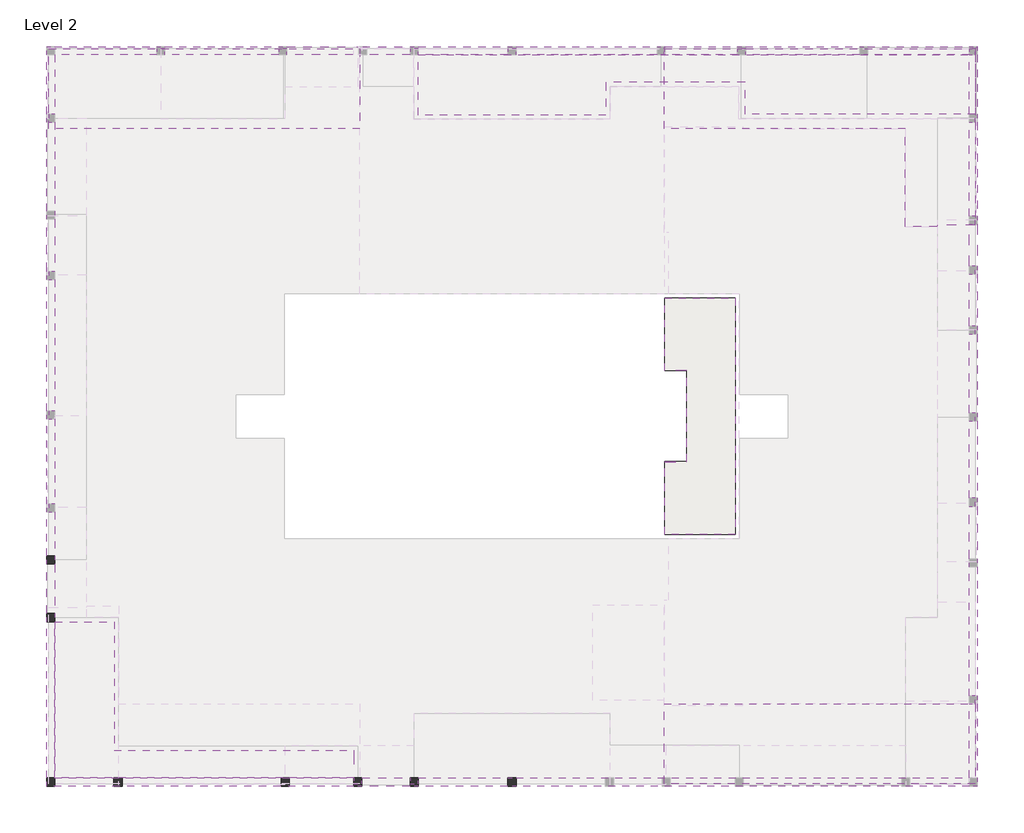
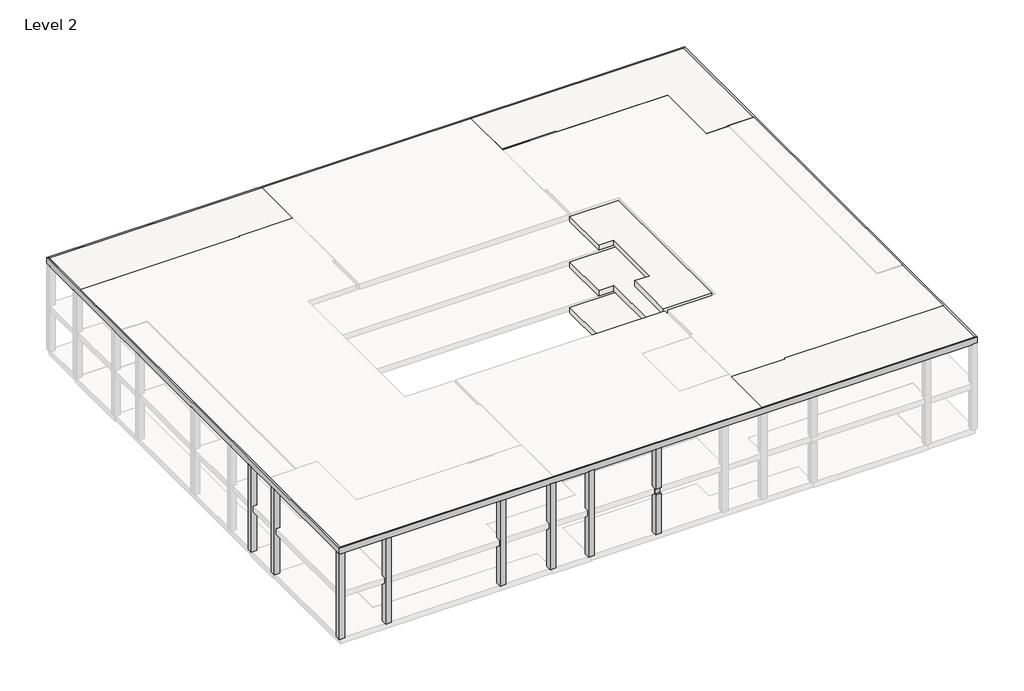
# One storey, part 2 of 3: 9 slabs, 8 columns, 2 proxies.
"""IFC4 building model written with IfcOpenShell, lengths in millimetres."""

from ifc_helpers import new_model, si_unit, frame, origin, place, context, project, spatial, polyline, outline, extrude, faceted_brep, element, save

model = new_model("IFC4")

# Units and contexts
model_context = context("Model", 3, world=origin())
ifc_project = project(units=[si_unit("LENGTHUNIT", "METRE", prefix="MILLI")], contexts=[model_context])

# Site, building, storey
site = spatial("IfcSite", under=ifc_project)
building = spatial("IfcBuilding", under=site)
storey = spatial("IfcBuildingStorey", under=building, Name="Level 2", Elevation=4000.0)

# Proxies
placement = place(None, origin())
element("IfcBuildingElementProxy", 1, Name="Slab Edges", at=placement, inside=storey, context=model_context, shape_type="Brep", body=[
    faceted_brep([(7248.6038805, 6198.5104675, 8475.0), (7588.6038805, 6538.5104675, 8475.0), (20123.6038682, 6538.5104675, 8475.0), (20123.6038682, 6198.5104675, 8475.0), (45908.6038805, 6538.5104675, 8475.0), (45908.6038805, 6198.5104675, 8475.0), (26918.6038805, 6198.5104675, 8475.0), (26578.6038805, 6198.5104675, 8475.0), (22818.6038804, 6198.5104675, 8475.0), (22818.6038804, 6538.5104675, 8475.0), (26578.6038805, 6538.5104675, 8475.0), (26918.6038805, 6538.5104675, 8475.0), (20463.6038682, 6198.5104675, 8475.0), (20463.6038682, 6538.5104675, 8475.0), (22478.6038804, 6538.5104675, 8475.0), (22478.6038804, 6198.5104675, 8475.0), (7248.6038805, 6198.5104675, 8850.0), (20123.6038682, 6198.5104675, 8500.0), (20463.6038682, 6198.5104675, 8500.0), (22478.6038804, 6198.5104675, 8500.0), (22818.6038804, 6198.5104675, 8500.0), (45908.6038805, 6198.5104675, 8500.0), (46248.6038805, 6198.5104675, 8500.0), (46248.6038805, 6198.5104675, 8850.0), (7348.6038805, 6298.5104675, 8850.0), (46148.6038805, 6298.5104675, 8850.0), (7348.6038805, 6298.5104675, 8500.0), (46148.6038805, 6298.5104675, 8500.0), (45908.6038805, 6298.5104675, 8500.0), (22818.6038804, 6298.5104675, 8500.0), (22478.6038804, 6298.5104675, 8500.0), (20463.6038682, 6298.5104675, 8500.0), (20123.6038682, 6298.5104675, 8500.0), (7248.6038805, 6538.5104665, 8475.0), (7248.6038805, 13088.5104691, 8475.0), (7248.6038805, 13428.5104691, 8475.0), (7248.6038805, 15508.5104691, 8475.0), (7248.6038805, 15848.5104691, 8475.0), (7248.6038805, 17688.5104681, 8475.0), (7588.6038805, 17688.5104681, 8475.0), (7588.6038805, 15848.5104691, 8475.0), (7588.6038805, 15508.5104691, 8475.0), (7588.6038805, 13428.5104691, 8475.0), (7588.6038805, 13088.5104691, 8475.0), (7248.6038805, 36858.5104675, 8475.0), (7588.6038805, 36858.5104675, 8475.0), (7588.6038805, 34366.0104675, 8475.0), (7248.6038805, 34366.0104675, 8475.0), (7248.6038805, 34026.0104675, 8475.0), (7588.6038805, 34026.0104675, 8475.0), (7588.6038805, 30308.5104659, 8475.0), (7588.6038805, 29968.5104659, 8475.0), (7588.6038805, 27768.5104659, 8475.0), (7248.6038805, 27768.5104659, 8475.0), (7248.6038805, 29968.5104659, 8475.0), (7248.6038805, 30308.5104659, 8475.0), (7588.6038805, 18028.5104681, 8475.0), (7248.6038805, 18028.5104681, 8475.0), (7248.6038805, 21581.010467, 8475.0), (7588.6038805, 21581.010467, 8475.0), (7248.6038805, 27428.5104659, 8475.0), (7588.6038805, 27428.5104659, 8475.0), (7588.6038805, 21921.010467, 8475.0), (7248.6038805, 21921.010467, 8475.0), (7248.6038805, 37198.5104675, 8850.0), (7248.6038805, 37198.5104675, 8500.0), (7248.6038805, 36858.5104675, 8500.0), (7248.6038805, 34366.0104675, 8500.0), (7248.6038805, 34026.0104675, 8500.0), (7248.6038805, 27768.5104659, 8500.0), (7248.6038805, 27428.5104659, 8500.0), (7248.6038805, 21921.010467, 8500.0), (7248.6038805, 21581.010467, 8500.0), (7248.6038805, 18028.5104681, 8500.0), (7248.6038805, 17688.5104681, 8500.0), (7348.6038805, 37098.5104675, 8850.0), (7348.6038805, 17688.5104681, 8500.0), (7348.6038805, 18028.5104681, 8500.0), (7348.6038805, 21581.010467, 8500.0), (7348.6038805, 21921.010467, 8500.0), (7348.6038805, 27428.5104659, 8500.0), (7348.6038805, 27768.5104659, 8500.0), (7348.6038805, 34026.0104675, 8500.0), (7348.6038805, 34366.0104675, 8500.0), (7348.6038805, 36858.5104675, 8500.0), (7348.6038805, 37098.5104675, 8500.0), (33133.6038927, 36858.5104675, 8475.0), (33133.6038927, 37198.5104675, 8475.0), (33133.6038927, 37198.5104675, 8850.0), (33133.6038927, 37098.5104675, 8850.0), (33133.6038927, 37098.5104675, 8500.0), (33133.6038927, 36858.5104675, 8500.0), (32823.6038927, 36858.5104675, 8475.0), (26918.6038805, 36858.5104675, 8475.0), (26918.6038805, 37198.5104675, 8475.0), (32823.6038927, 37198.5104675, 8475.0), (26578.6038805, 37198.5104675, 8475.0), (26578.6038805, 36858.5104675, 8475.0), (22818.6038804, 36858.5104675, 8475.0), (22818.6038804, 37198.5104675, 8475.0), (22478.6038804, 37198.5104675, 8475.0), (22478.6038804, 36858.5104675, 8475.0), (20463.6038682, 36858.5104675, 8475.0), (20123.6038682, 36858.5104675, 8475.0), (17308.6038682, 36858.5104675, 8475.0), (17308.6038682, 37198.5104675, 8475.0), (20123.6038682, 37198.5104675, 8475.0), (20463.6038682, 37198.5104675, 8475.0), (16968.6038682, 37198.5104675, 8475.0), (16968.6038682, 36858.5104675, 8475.0), (12208.6038682, 36858.5104675, 8475.0), (12208.6038682, 37198.5104675, 8475.0), (11868.6038682, 37198.5104675, 8475.0), (11868.6038682, 36858.5104675, 8475.0), (7588.6038805, 37198.5104675, 8475.0), (26918.6038805, 37198.5104675, 8500.0), (26578.6038805, 37198.5104675, 8500.0), (22818.6038804, 37198.5104675, 8500.0), (22478.6038804, 37198.5104675, 8500.0), (17308.6038682, 37198.5104675, 8500.0), (16968.6038682, 37198.5104675, 8500.0), (12208.6038682, 37198.5104675, 8500.0), (11868.6038682, 37198.5104675, 8500.0), (7588.6038805, 37198.5104675, 8500.0), (7588.6038805, 37098.5104675, 8500.0), (11868.6038682, 37098.5104675, 8500.0), (12208.6038682, 37098.5104675, 8500.0), (16968.6038682, 37098.5104675, 8500.0), (17308.6038682, 37098.5104675, 8500.0), (22478.6038804, 37098.5104675, 8500.0), (22818.6038804, 37098.5104675, 8500.0), (26578.6038805, 37098.5104675, 8500.0), (26918.6038805, 37098.5104675, 8500.0), (46148.6038805, 37098.5104675, 8850.0), (46248.6038805, 37198.5104675, 8850.0), (46248.6038805, 37198.5104675, 8500.0), (46148.6038805, 37098.5104675, 8500.0), (46248.6038805, 21831.010467, 8475.0), (45908.6038805, 21831.010467, 8475.0), (45908.6038805, 25143.5104659, 8475.0), (46248.6038805, 25143.5104659, 8475.0), (45908.6038805, 21491.010467, 8475.0), (46248.6038805, 21491.010467, 8475.0), (46248.6038805, 18268.5104691, 8475.0), (45908.6038805, 18268.5104691, 8475.0), (46248.6038805, 27993.5104659, 8475.0), (45908.6038805, 27993.5104659, 8475.0), (45908.6038805, 29743.5104659, 8475.0), (46248.6038805, 29743.5104659, 8475.0), (45908.6038805, 27653.5104659, 8475.0), (46248.6038805, 27653.5104659, 8475.0), (46248.6038805, 25483.5104659, 8475.0), (45908.6038805, 25483.5104659, 8475.0), (45908.6038805, 36858.5104675, 8475.0), (46248.6038805, 36858.5104675, 8475.0), (46248.6038805, 34358.5104486, 8475.0), (45908.6038805, 34358.5104486, 8475.0), (45908.6038805, 34018.5104486, 8475.0), (46248.6038805, 34018.5104486, 8475.0), (46248.6038805, 30083.5104659, 8475.0), (45908.6038805, 30083.5104659, 8475.0), (45908.6038805, 9638.5104665, 8475.0), (46248.6038805, 9638.5104665, 8475.0), (46248.6038805, 6538.5104665, 8475.0), (46248.6038805, 9978.5104665, 8475.0), (45908.6038805, 9978.5104665, 8475.0), (45908.6038805, 15388.5104691, 8475.0), (45908.6038805, 15728.5104691, 8475.0), (45908.6038805, 17928.5104691, 8475.0), (46248.6038805, 17928.5104691, 8475.0), (46248.6038805, 15728.5104691, 8475.0), (46248.6038805, 15388.5104691, 8475.0), (46248.6038805, 6538.5104665, 8500.0), (46248.6038805, 9638.5104665, 8500.0), (46248.6038805, 9978.5104665, 8500.0), (46248.6038805, 17928.5104691, 8500.0), (46248.6038805, 18268.5104691, 8500.0), (46248.6038805, 21491.010467, 8500.0), (46248.6038805, 21831.010467, 8500.0), (46248.6038805, 25143.5104659, 8500.0), (46248.6038805, 25483.5104659, 8500.0), (46248.6038805, 27653.5104659, 8500.0), (46248.6038805, 27993.5104659, 8500.0), (46248.6038805, 29743.5104659, 8500.0), (46248.6038805, 30083.5104659, 8500.0), (46248.6038805, 34018.5104486, 8500.0), (46248.6038805, 34358.5104486, 8500.0), (46248.6038805, 36858.5104675, 8500.0), (46148.6038805, 36858.5104675, 8500.0), (46148.6038805, 34358.5104486, 8500.0), (46148.6038805, 34018.5104486, 8500.0), (46148.6038805, 30083.5104659, 8500.0), (46148.6038805, 29743.5104659, 8500.0), (46148.6038805, 27993.5104659, 8500.0), (46148.6038805, 27653.5104659, 8500.0), (46148.6038805, 25483.5104659, 8500.0), (46148.6038805, 25143.5104659, 8500.0), (46148.6038805, 21831.010467, 8500.0), (46148.6038805, 21491.010467, 8500.0), (46148.6038805, 18268.5104691, 8500.0), (46148.6038805, 17928.5104691, 8500.0), (46148.6038805, 9978.5104665, 8500.0), (46148.6038805, 9638.5104665, 8500.0), (46148.6038805, 6538.5104665, 8500.0), (45908.6038805, 21831.010467, 8500.0), (45908.6038805, 21491.010467, 8500.0), (45908.6038805, 27993.5104659, 8500.0), (45908.6038805, 27653.5104659, 8500.0), (45908.6038805, 25483.5104659, 8500.0), (45908.6038805, 25143.5104659, 8500.0), (26578.6038805, 36858.5104675, 8500.0), (26918.6038805, 36858.5104675, 8500.0), (22818.6038804, 36858.5104675, 8500.0), (22478.6038804, 36858.5104675, 8500.0), (17308.6038682, 36858.5104675, 8500.0), (16968.6038682, 36858.5104675, 8500.0), (12208.6038682, 36858.5104675, 8500.0), (11868.6038682, 36858.5104675, 8500.0), (7588.6038805, 36858.5104675, 8500.0), (45908.6038805, 36858.5104675, 8500.0), (45908.6038805, 34358.5104486, 8500.0), (45908.6038805, 34018.5104486, 8500.0), (45908.6038805, 9638.5104665, 8500.0), (45908.6038805, 9978.5104665, 8500.0), (7588.6038805, 34026.0104675, 8500.0), (7588.6038805, 34366.0104675, 8500.0), (45908.6038805, 30083.5104659, 8500.0), (45908.6038805, 29743.5104659, 8500.0), (45908.6038805, 17928.5104691, 8500.0), (45908.6038805, 18268.5104691, 8500.0), (45908.6038805, 6538.5104665, 8500.0), (7588.6038805, 17688.5104681, 8500.0), (7588.6038805, 18028.5104681, 8500.0), (7588.6038805, 6538.5104675, 8500.0), (7588.6038805, 27768.5104659, 8500.0), (7588.6038805, 21581.010467, 8500.0), (7588.6038805, 27428.5104659, 8500.0), (7588.6038805, 21921.010467, 8500.0), (20123.6038682, 6538.5104675, 8500.0), (22818.6038804, 6538.5104675, 8500.0), (20463.6038682, 6538.5104675, 8500.0), (22478.6038804, 6538.5104675, 8500.0)], [[[0, 1, 2, 3]], [[4, 5, 6, 7, 8, 9, 10, 11]], [[12, 13, 14, 15]], [[16, 0, 3, 17, 18, 12, 15, 19, 20, 8, 7, 6, 5, 21, 22, 23]], [[24, 16, 23, 25]], [[26, 24, 25, 27, 28, 29, 30, 31, 32]], [[1, 0, 33, 34, 35, 36, 37, 38, 39, 40, 41, 42, 43]], [[44, 45, 46, 47]], [[48, 49, 50, 51, 52, 53, 54, 55]], [[56, 57, 58, 59]], [[60, 61, 62, 63]], [[0, 16, 64, 65, 66, 44, 47, 67, 68, 48, 55, 54, 53, 69, 70, 60, 63, 71, 72, 58, 57, 73, 74, 38, 37, 36, 35, 34, 33]], [[16, 24, 75, 64]], [[24, 26, 76, 77, 78, 79, 80, 81, 82, 83, 84, 85, 75]], [[86, 87, 88, 89, 90, 91]], [[87, 86, 92, 93, 94, 95]], [[96, 97, 98, 99]], [[100, 101, 102, 103, 104, 105, 106, 107]], [[108, 109, 110, 111]], [[112, 113, 45, 114]], [[88, 87, 95, 94, 115, 116, 96, 99, 117, 118, 100, 107, 106, 105, 119, 120, 108, 111, 121, 122, 112, 114, 123, 65, 64]], [[64, 75, 89, 88]], [[75, 85, 124, 125, 126, 127, 128, 129, 130, 131, 132, 90, 89]], [[133, 134, 135, 136]], [[137, 138, 139, 140]], [[141, 142, 143, 144]], [[145, 146, 147, 148]], [[149, 150, 151, 152]], [[153, 154, 155, 156]], [[157, 158, 159, 160]], [[161, 162, 163, 4]], [[164, 165, 166, 167, 168, 169, 170, 171]], [[134, 23, 22, 172, 163, 162, 173, 174, 164, 171, 170, 169, 175, 176, 143, 142, 177, 178, 137, 140, 179, 180, 151, 150, 181, 182, 145, 148, 183, 184, 159, 158, 185, 186, 155, 154, 187, 135]], [[25, 23, 134, 133]], [[27, 25, 133, 136, 188, 189, 190, 191, 192, 193, 194, 195, 196, 197, 198, 199, 200, 201, 202, 203]], [[177, 198, 197, 178]], [[178, 197, 204, 138, 137]], [[198, 177, 142, 141, 205]], [[181, 194, 193, 182]], [[182, 193, 206, 146, 145]], [[194, 181, 150, 149, 207]], [[179, 196, 195, 180]], [[180, 195, 208, 152, 151]], [[196, 179, 140, 139, 209]], [[131, 116, 115, 132]], [[116, 131, 210, 97, 96]], [[132, 115, 94, 93, 211]], [[117, 130, 129, 118]], [[130, 117, 99, 98, 212]], [[118, 129, 213, 101, 100]], [[127, 120, 119, 128]], [[128, 119, 105, 104, 214]], [[120, 127, 215, 109, 108]], [[121, 126, 125, 122]], [[126, 121, 111, 110, 216]], [[122, 125, 217, 113, 112]], [[123, 124, 85, 84, 66, 65]], [[66, 84, 218, 45, 44]], [[124, 123, 114, 45, 218]], [[187, 188, 136, 135]], [[188, 187, 154, 153, 219]], [[185, 190, 189, 186]], [[186, 189, 220, 156, 155]], [[190, 185, 158, 157, 221]], [[173, 202, 201, 174]], [[202, 173, 162, 161, 222]], [[174, 201, 223, 165, 164]], [[67, 83, 82, 68]], [[68, 82, 224, 49, 48]], [[83, 67, 47, 46, 225]], [[183, 192, 191, 184]], [[184, 191, 226, 160, 159]], [[192, 183, 148, 147, 227]], [[175, 200, 199, 176]], [[200, 175, 169, 168, 228]], [[176, 199, 229, 144, 143]], [[21, 28, 27, 203, 172, 22]], [[28, 21, 5, 4, 230]], [[172, 203, 230, 4, 163]], [[73, 77, 76, 74]], [[74, 76, 231, 39, 38]], [[77, 73, 57, 56, 232]], [[218, 217, 125, 124]], [[210, 131, 130, 212]], [[213, 129, 128, 214]], [[215, 127, 126, 216]], [[91, 90, 132, 211]], [[97, 210, 212, 98]], [[101, 213, 214, 104, 103, 102]], [[109, 215, 216, 110]], [[218, 45, 113, 217]], [[86, 91, 211, 93, 92]], [[26, 233, 231, 76]], [[218, 84, 83, 225]], [[224, 82, 81, 234]], [[77, 232, 235, 78]], [[236, 80, 79, 237]], [[233, 1, 43, 42, 41, 40, 39, 231]], [[45, 218, 225, 46]], [[49, 224, 234, 52, 51, 50]], [[232, 56, 59, 235]], [[61, 236, 237, 62]], [[233, 26, 32, 238]], [[28, 230, 239, 29]], [[240, 31, 30, 241]], [[1, 233, 238, 2]], [[230, 4, 11, 10, 9, 239]], [[13, 240, 241, 14]], [[222, 230, 203, 202]], [[204, 197, 196, 209]], [[198, 205, 229, 199]], [[206, 193, 192, 227]], [[194, 207, 208, 195]], [[188, 219, 220, 189]], [[190, 221, 226, 191]], [[223, 201, 200, 228]], [[138, 204, 209, 139]], [[205, 141, 144, 229]], [[146, 206, 227, 147]], [[207, 149, 152, 208]], [[219, 153, 156, 220]], [[221, 157, 160, 226]], [[165, 223, 228, 168, 167, 166]], [[4, 230, 222, 161]], [[17, 32, 31, 18]], [[32, 17, 3, 2, 238]], [[18, 31, 240, 13, 12]], [[19, 30, 29, 20]], [[30, 19, 15, 14, 241]], [[20, 29, 239, 9, 8]], [[69, 81, 80, 70]], [[81, 69, 53, 52, 234]], [[70, 80, 236, 61, 60]], [[71, 79, 78, 72]], [[79, 71, 63, 62, 237]], [[72, 78, 235, 59, 58]]]),
])
element("IfcBuildingElementProxy", 2, Name="Slab Edges", at=placement, inside=storey, context=model_context, shape_type="Brep", body=[
    faceted_brep([(46248.6038805, 37198.5104675, 8850.0), (46148.6038805, 37098.5104675, 8850.0), (46148.6038805, 37098.5104675, 8500.0), (46248.6038805, 37198.5104675, 8500.0), (33133.6038927, 37198.5104675, 8475.0), (33133.6038927, 36858.5104675, 8475.0), (33133.6038927, 36858.5104675, 8500.0), (33133.6038927, 37098.5104675, 8500.0), (33133.6038927, 37098.5104675, 8850.0), (33133.6038927, 37198.5104675, 8850.0), (33163.6038927, 37198.5104675, 8475.0), (36193.6038805, 37198.5104675, 8475.0), (36193.6038805, 36858.5104675, 8475.0), (33163.6038927, 36858.5104675, 8475.0), (36533.6038805, 36858.5104675, 8475.0), (36533.6038805, 37198.5104675, 8475.0), (41308.6038866, 37198.5104675, 8475.0), (41648.6038866, 37198.5104675, 8475.0), (45908.6038805, 37198.5104675, 8475.0), (45908.6038805, 36858.5104675, 8475.0), (41648.6038866, 36858.5104675, 8475.0), (41308.6038866, 36858.5104675, 8475.0), (45908.6038805, 37198.5104675, 8500.0), (36533.6038805, 37198.5104675, 8500.0), (36193.6038805, 37198.5104675, 8500.0), (36193.6038805, 37098.5104675, 8500.0), (36533.6038805, 37098.5104675, 8500.0), (45908.6038805, 37098.5104675, 8500.0), (36193.6038805, 36858.5104675, 8500.0), (36533.6038805, 36858.5104675, 8500.0), (45908.6038805, 36858.5104675, 8500.0)], [[[0, 1, 2, 3]], [[4, 5, 6, 7, 8, 9]], [[5, 4, 10, 11, 12, 13]], [[14, 15, 16, 17, 18, 19, 20, 21]], [[4, 9, 0, 3, 22, 18, 17, 16, 15, 23, 24, 11, 10]], [[1, 0, 9, 8]], [[2, 1, 8, 7, 25, 26, 27]], [[25, 24, 23, 26]], [[24, 25, 28, 12, 11]], [[26, 23, 15, 14, 29]], [[27, 22, 3, 2]], [[22, 27, 30, 19, 18]], [[29, 30, 27, 26]], [[7, 6, 28, 25]], [[6, 5, 13, 12, 28]], [[14, 21, 20, 19, 30, 29]]]),
])

# Columns
element("IfcColumn", 3, at=placement, inside=storey, context=model_context, shape_type="Brep", body=[
    faceted_brep([(7248.6038805, 6198.5104665, 2950.0), (7248.6038805, 6538.5104665, 2950.0), (7588.6038805, 6538.5104665, 2950.0), (7588.6038805, 6198.5104665, 2950.0), (7588.6038805, 6198.5104665, 8475.0), (7248.6038805, 6198.5104665, 8475.0), (7588.6038805, 6538.5104665, 5525.0), (7588.6038805, 6538.5104665, 5550.0), (7588.6038805, 6538.5104665, 8475.0), (7248.6038805, 6538.5104665, 5525.0), (7248.6038805, 6538.5104665, 5900.0), (7248.6038805, 6538.5104665, 8475.0)], [[[0, 1, 2, 3]], [[0, 3, 4, 5]], [[3, 2, 6, 7, 8, 4]], [[2, 1, 9, 10, 11, 8, 7, 6]], [[1, 0, 5, 11, 10, 9]], [[8, 5, 4]], [[5, 8, 11]]]),
])
element("IfcColumn", 4, at=placement, inside=storey, context=model_context, shape_type="Brep", body=[
    faceted_brep([(20463.6038682, 6538.5104675, 8500.0), (20123.6038682, 6538.5104675, 8500.0), (20123.6038682, 6298.5104675, 8500.0), (20123.6038682, 6198.5104675, 8500.0), (20463.6038682, 6198.5104675, 8500.0), (20463.6038682, 6298.5104675, 8500.0), (20463.6038682, 6538.5104675, 2950.0), (20463.6038682, 6198.5104675, 2950.0), (20123.6038682, 6198.5104675, 2950.0), (20123.6038682, 6538.5104675, 2950.0), (20463.6038682, 6538.5104675, 8475.0), (20463.6038682, 6538.5104675, 5550.0), (20463.6038682, 6538.5104675, 5525.0), (20123.6038682, 6538.5104675, 5525.0), (20123.6038682, 6538.5104675, 5550.0), (20123.6038682, 6538.5104675, 8475.0), (20123.6038682, 6198.5104675, 5525.0), (20123.6038682, 6198.5104675, 5900.0), (20123.6038682, 6198.5104675, 8475.0), (20463.6038682, 6198.5104675, 5525.0), (20463.6038682, 6198.5104675, 5900.0), (20463.6038682, 6198.5104675, 8475.0)], [[[0, 1, 2, 3, 4, 5]], [[6, 7, 8, 9]], [[1, 0, 10, 11, 12, 6, 9, 13, 14, 15]], [[3, 2, 1, 15, 14, 13, 9, 8, 16, 17, 18]], [[4, 3, 18, 17, 16, 8, 7, 19, 20, 21]], [[0, 5, 4, 21, 20, 19, 7, 6, 12, 11, 10]]]),
])
element("IfcColumn", 5, at=placement, inside=storey, context=model_context, shape_type="Brep", body=[
    faceted_brep([(7248.6038805, 15508.5104691, 2950.0), (7248.6038805, 15848.5104691, 2950.0), (7588.6038805, 15848.5104691, 2950.0), (7588.6038805, 15508.5104691, 2950.0), (7588.6038805, 15508.5104691, 5525.0), (7588.6038805, 15508.5104691, 5550.0), (7588.6038805, 15508.5104691, 8475.0), (7248.6038805, 15508.5104691, 8475.0), (7248.6038805, 15508.5104691, 5900.0), (7248.6038805, 15508.5104691, 5525.0), (7588.6038805, 15848.5104691, 5525.0), (7588.6038805, 15848.5104691, 5550.0), (7588.6038805, 15848.5104691, 8475.0), (7248.6038805, 15848.5104691, 5525.0), (7248.6038805, 15848.5104691, 5900.0), (7248.6038805, 15848.5104691, 8475.0)], [[[0, 1, 2, 3]], [[0, 3, 4, 5, 6, 7, 8, 9]], [[3, 2, 10, 11, 12, 6, 5, 4]], [[2, 1, 13, 14, 15, 12, 11, 10]], [[1, 0, 9, 8, 7, 15, 14, 13]], [[7, 6, 12, 15]]]),
])
element("IfcColumn", 6, at=placement, inside=storey, context=model_context, shape_type="Brep", body=[
    faceted_brep([(10073.6038805, 6198.5104665, 8475.0), (10413.6038805, 6198.5104665, 8475.0), (10413.6038805, 6538.5104665, 8475.0), (10073.6038805, 6538.5104665, 8475.0), (10073.6038805, 6198.5104665, 2950.0), (10073.6038805, 6538.5104665, 2950.0), (10413.6038805, 6538.5104665, 2950.0), (10413.6038805, 6198.5104665, 2950.0), (10073.6038805, 6538.5104665, 5550.0), (10073.6038805, 6538.5104665, 5900.0)], [[[0, 1, 2, 3]], [[4, 5, 6, 7]], [[1, 0, 4, 7]], [[2, 1, 7, 6]], [[3, 2, 6, 5, 8, 9]], [[0, 3, 9, 8, 5, 4]]]),
])
element("IfcColumn", 7, at=placement, inside=storey, context=model_context, shape_type="Brep", body=[
    faceted_brep([(22818.6038804, 6538.5104675, 8500.0), (22478.6038804, 6538.5104675, 8500.0), (22478.6038804, 6298.5104675, 8500.0), (22478.6038804, 6198.5104675, 8500.0), (22818.6038804, 6198.5104675, 8500.0), (22818.6038804, 6298.5104675, 8500.0), (22818.6038804, 6538.5104675, 2950.0), (22818.6038804, 6198.5104675, 2950.0), (22638.6038804, 6198.5104675, 2950.0), (22478.6038804, 6198.5104675, 2950.0), (22478.6038804, 6538.5104675, 2950.0), (22818.6038804, 6538.5104675, 8475.0), (22818.6038804, 6538.5104675, 5550.0), (22818.6038804, 6538.5104675, 5525.0), (22478.6038804, 6538.5104675, 5525.0), (22478.6038804, 6538.5104675, 5550.0), (22478.6038804, 6538.5104675, 8475.0), (22478.6038804, 6198.5104675, 5525.0), (22478.6038804, 6198.5104675, 5900.0), (22478.6038804, 6198.5104675, 8475.0), (22818.6038804, 6198.5104675, 5525.0), (22818.6038804, 6198.5104675, 5900.0), (22818.6038804, 6198.5104675, 8475.0)], [[[0, 1, 2, 3, 4, 5]], [[6, 7, 8, 9, 10]], [[1, 0, 11, 12, 13, 6, 10, 14, 15, 16]], [[3, 2, 1, 16, 15, 14, 10, 9, 17, 18, 19]], [[4, 3, 19, 18, 17, 9, 8, 7, 20, 21, 22]], [[0, 5, 4, 22, 21, 20, 7, 6, 13, 12, 11]]]),
])
element("IfcColumn", 8, at=placement, inside=storey, context=model_context, shape_type="Brep", body=[
    faceted_brep([(26918.6038805, 6198.5104675, 8475.0), (26918.6038805, 6538.5104675, 8475.0), (26578.6038805, 6538.5104675, 8475.0), (26578.6038805, 6198.5104675, 8475.0), (26578.6038805, 6198.5104675, 5900.0), (26918.6038805, 6198.5104675, 5900.0), (26578.6038805, 6538.5104675, 5900.0), (26578.6038805, 6538.5104675, 5550.0), (26578.6038805, 6298.5104675, 5550.0), (26578.6038805, 6298.5104675, 5900.0), (26918.6038805, 6538.5104675, 5900.0), (26918.6038805, 6538.5104675, 5550.0), (26918.6038805, 6298.5104675, 5900.0), (26918.6038805, 6298.5104675, 5550.0)], [[[0, 1, 2, 3]], [[0, 3, 4, 5]], [[3, 2, 6, 7, 8, 9, 4]], [[2, 1, 10, 11, 7, 6]], [[1, 0, 5, 12, 13, 11, 10]], [[9, 12, 5, 4]], [[12, 9, 8, 13]], [[13, 8, 7, 11]]]),
    faceted_brep([(26918.6038805, 6198.5104675, 2950.0), (26578.6038805, 6198.5104675, 2950.0), (26578.6038805, 6298.5104675, 2950.0), (26578.6038805, 6538.5104675, 2950.0), (26918.6038805, 6538.5104675, 2950.0), (26918.6038805, 6298.5104675, 2950.0), (26578.6038805, 6198.5104675, 5525.0), (26918.6038805, 6198.5104675, 5525.0), (26918.6038805, 6538.5104675, 5525.0), (26578.6038805, 6538.5104675, 5525.0)], [[[0, 1, 2, 3, 4, 5]], [[6, 7, 8, 9]], [[1, 0, 7, 6]], [[2, 1, 6, 9, 3]], [[4, 3, 9, 8]], [[5, 4, 8, 7, 0]]]),
])
element("IfcColumn", 9, at=placement, inside=storey, context=model_context, shape_type="Brep", body=[
    faceted_brep([(7248.6038805, 13088.5104691, 2950.0), (7248.6038805, 13268.5104691, 2950.0), (7248.6038805, 13428.5104691, 2950.0), (7588.6038805, 13428.5104691, 2950.0), (7588.6038805, 13088.5104691, 2950.0), (7588.6038805, 13088.5104691, 5525.0), (7588.6038805, 13088.5104691, 5550.0), (7588.6038805, 13088.5104691, 8475.0), (7248.6038805, 13088.5104691, 8475.0), (7248.6038805, 13088.5104691, 5900.0), (7248.6038805, 13088.5104691, 5525.0), (7588.6038805, 13428.5104691, 5525.0), (7588.6038805, 13428.5104691, 5550.0), (7588.6038805, 13428.5104691, 8475.0), (7248.6038805, 13428.5104691, 5525.0), (7248.6038805, 13428.5104691, 5900.0), (7248.6038805, 13428.5104691, 8475.0)], [[[0, 1, 2, 3, 4]], [[0, 4, 5, 6, 7, 8, 9, 10]], [[4, 3, 11, 12, 13, 7, 6, 5]], [[3, 2, 14, 15, 16, 13, 12, 11]], [[2, 1, 0, 10, 9, 8, 16, 15, 14]], [[8, 7, 13, 16]]]),
])
element("IfcColumn", 10, at=placement, inside=storey, context=model_context, shape_type="SweptSolid", body=[
    extrude(outline(polyline([(17073.6038682, 6198.5104665), (17073.6038682, 6538.5104665), (17413.6038682, 6538.5104665), (17413.6038682, 6198.5104665), (17073.6038682, 6198.5104665)])), frame((0.0, 0.0, 2950.0), z_axis=(0.0, 0.0, 1.0), x_axis=(1.0, 0.0, 0.0)), (0.0, 0.0, 1.0), 5525.0),
])

# Slabs
element("IfcSlab", 11, at=placement, inside=storey, context=model_context, shape_type="SweptSolid", body=[
    extrude(outline(polyline([(33148.6038927, 26648.5104797), (36098.6038927, 26648.5104797), (36098.6038927, 16748.5104553), (33148.6038927, 16748.5104553), (33148.6038927, 19808.5104675), (34063.6038927, 19808.5104675), (34063.6038927, 23613.6067356), (33148.6038927, 23613.6067356), (33148.6038927, 26648.5104797)])), frame((0.0, 0.0, 2600.0), z_axis=(0.0, 0.0, 1.0), x_axis=(1.0, 0.0, 0.0)), (0.0, 0.0, 1.0), 350.0),
])
element("IfcSlab", 12, at=placement, inside=storey, context=model_context, shape_type="SweptSolid", body=[
    extrude(outline(polyline([(33148.6038927, 26648.5104797), (36098.6038927, 26648.5104797), (36098.6038927, 16748.5104553), (33148.6038927, 16748.5104553), (33148.6038927, 19808.5104675), (34063.6038927, 19808.5104675), (34063.6038927, 23613.6067356), (33148.6038927, 23613.6067356), (33148.6038927, 26648.5104797)])), frame((0.0, 0.0, 5550.0), z_axis=(0.0, 0.0, 1.0), x_axis=(1.0, 0.0, 0.0)), (0.0, 0.0, 1.0), 350.0),
])
element("IfcSlab", 13, at=placement, inside=storey, context=model_context, shape_type="SweptSolid", body=[
    extrude(outline(polyline([(33148.6038927, 26648.5104797), (36098.6038927, 26648.5104797), (36098.6038927, 16748.5104553), (33148.6038927, 16748.5104553), (33148.6038927, 19778.5104675), (34063.6038927, 19778.5104675), (34063.6038927, 23613.6067356), (33148.6038927, 23613.6067356), (33148.6038927, 26648.5104797)])), frame((0.0, 0.0, 8500.0), z_axis=(0.0, 0.0, 1.0), x_axis=(1.0, 0.0, 0.0)), (0.0, 0.0, 1.0), 350.0),
])
element("IfcSlab", 14, at=placement, inside=storey, context=model_context, shape_type="SweptSolid", body=[
    extrude(outline(polyline([(7351.1038794, 37098.5104675), (20363.6038682, 37098.5104675), (20363.6038682, 33748.5104675), (7351.1038794, 33748.5104675), (7351.1038794, 37098.5104675)])), frame((0.0, 0.0, 8500.0), z_axis=(0.0, 0.0, 1.0), x_axis=(1.0, 0.0, 0.0)), (0.0, 0.0, 1.0), 350.0),
])
element("IfcSlab", 15, at=placement, inside=storey, context=model_context, shape_type="SweptSolid", body=[
    extrude(outline(polyline([(46146.1038815, 6298.5104665), (33133.6038927, 6298.5104665), (33133.6038927, 9648.5104665), (46146.1038815, 9648.5104665), (46146.1038815, 6298.5104665)])), frame((0.0, 0.0, 8500.0), z_axis=(0.0, 0.0, 1.0), x_axis=(1.0, 0.0, 0.0)), (0.0, 0.0, 1.0), 350.0),
])
element("IfcSlab", 16, at=placement, inside=storey, context=model_context, shape_type="Brep", body=[
    faceted_brep([(46148.6038805, 37098.5104675, 8500.0), (46148.6038805, 29713.5104633, 8500.0), (44568.6038805, 29713.5104633, 8500.0), (44568.6038805, 29653.5104659, 8500.0), (43228.6038805, 29653.5104659, 8500.0), (43228.6038805, 33748.5104675, 8500.0), (33133.6038927, 33748.5104675, 8500.0), (33133.6038927, 36858.5104675, 8500.0), (33133.6038927, 37098.5104675, 8500.0), (36193.6038805, 37098.5104675, 8500.0), (36533.6038805, 37098.5104675, 8500.0), (45908.6038805, 37098.5104675, 8500.0), (46148.6038805, 37098.5104675, 8850.0), (33133.6038927, 37098.5104675, 8850.0), (33133.6038927, 33748.5104675, 8850.0), (43228.6038805, 33748.5104675, 8850.0), (43228.6038805, 29653.5104659, 8850.0), (44568.6038805, 29653.5104659, 8850.0), (44568.6038805, 29713.5104633, 8850.0), (46148.6038805, 29713.5104633, 8850.0)], [[[0, 1, 2, 3, 4, 5, 6, 7, 8, 9, 10, 11]], [[12, 13, 14, 15, 16, 17, 18, 19]], [[0, 11, 10, 9, 8, 13, 12]], [[8, 7, 6, 14, 13]], [[6, 5, 15, 14]], [[1, 0, 12, 19]], [[2, 1, 19, 18]], [[3, 2, 18, 17]], [[4, 3, 17, 16]], [[5, 4, 16, 15]]]),
])
element("IfcSlab", 17, at=placement, inside=storey, context=model_context, shape_type="SweptSolid", body=[
    extrude(outline(polyline([(33148.6038927, 26648.5104797), (36098.6038927, 26648.5104797), (36098.6038927, 16748.5104553), (33148.6038927, 16748.5104553), (33148.6038927, 19778.5104675), (34063.6038927, 19778.5104675), (34063.6038927, 23613.6067356), (33148.6038927, 23613.6067356), (33148.6038927, 26648.5104797)])), frame((0.0, 0.0, 8500.0), z_axis=(0.0, 0.0, 1.0), x_axis=(1.0, 0.0, 0.0)), (0.0, 0.0, 1.0), 350.0),
])
element("IfcSlab", 18, at=placement, inside=storey, context=model_context, shape_type="SweptSolid", body=[
    extrude(outline(polyline([(7588.6038805, 36858.5104675), (16988.6038682, 36858.5104675), (16988.6038682, 34358.5104675), (7588.6038805, 34358.5104675), (7588.6038805, 36858.5104675)])), frame((0.0, 0.0, 5525.0), z_axis=(0.0, 0.0, 1.0), x_axis=(1.0, 0.0, 0.0)), (0.0, 0.0, 1.0), 20.0),
    extrude(outline(polyline([(20673.6038682, 36858.5104675), (32823.6038927, 36858.5104675), (32823.6038927, 35518.5108026), (30678.6038804, 35518.5108026), (30678.6038804, 34328.5104797), (22818.6038804, 34328.5104797), (22818.6038804, 35698.5104675), (20673.6038682, 35698.5104675), (20673.6038682, 36858.5104675)])), frame((0.0, 0.0, 5525.0), z_axis=(0.0, 0.0, 1.0), x_axis=(1.0, 0.0, 0.0)), (0.0, 0.0, 1.0), 20.0),
    extrude(outline(polyline([(36513.6038805, 36858.5104675), (41488.6038866, 36858.5104675), (41628.6038866, 36858.5104675), (41628.6038866, 34358.5104675), (36513.6038805, 34358.5104675), (36513.6038805, 36858.5104675)])), frame((0.0, 0.0, 5525.0), z_axis=(0.0, 0.0, 1.0), x_axis=(1.0, 0.0, 0.0)), (0.0, 0.0, 1.0), 20.0),
    extrude(outline(polyline([(44748.6038805, 34026.0104486), (45908.6038805, 34026.0104486), (45908.6038805, 25468.5104659), (44748.6038805, 25468.5104659), (44748.6038805, 34026.0104486)])), frame((0.0, 0.0, 5525.0), z_axis=(0.0, 0.0, 1.0), x_axis=(1.0, 0.0, 0.0)), (0.0, 0.0, 1.0), 20.0),
    extrude(outline(polyline([(44748.6038805, 21491.010467), (45908.6038805, 21491.010467), (45908.6038805, 6538.5104665), (43408.6038804, 6538.5104665), (43408.6038804, 13088.5104691), (44748.6038805, 13088.5104691), (44748.6038805, 21491.010467)])), frame((0.0, 0.0, 5525.0), z_axis=(0.0, 0.0, 1.0), x_axis=(1.0, 0.0, 0.0)), (0.0, 0.0, 1.0), 20.0),
    extrude(outline(polyline([(22818.6038804, 9068.5104553), (30678.6038805, 9068.5104553), (30678.6038805, 7698.5104675), (36283.6038682, 7698.5104675), (36283.6038682, 6538.5104665), (22818.6038804, 6538.5104665), (22818.6038804, 9068.5104553)])), frame((0.0, 0.0, 5525.0), z_axis=(0.0, 0.0, 1.0), x_axis=(1.0, 0.0, 0.0)), (0.0, 0.0, 1.0), 20.0),
    extrude(outline(polyline([(10088.6038805, 7698.5104675), (20123.6038682, 7698.5104675), (20123.6038682, 6538.5104675), (7588.6038805, 6538.5104675), (7588.6038805, 13088.5104691), (10088.6038805, 13088.5104691), (10088.6038805, 7698.5104675)])), frame((0.0, 0.0, 5525.0), z_axis=(0.0, 0.0, 1.0), x_axis=(1.0, 0.0, 0.0)), (0.0, 0.0, 1.0), 20.0),
    extrude(outline(polyline([(8748.6038805, 29983.5104659), (8748.6038805, 15848.5104691), (7588.6038805, 15848.5104691), (7588.6038805, 29983.5104659), (8748.6038805, 29983.5104659)])), frame((0.0, 0.0, 5525.0), z_axis=(0.0, 0.0, 1.0), x_axis=(1.0, 0.0, 0.0)), (0.0, 0.0, 1.0), 20.0),
])
element("IfcSlab", 19, at=placement, inside=storey, context=model_context, shape_type="SweptSolid", body=[
    extrude(outline(polyline([(12208.6038682, 36858.5104675), (20123.6038682, 36858.5104675), (20123.6038682, 35698.5104675), (16988.6038682, 35698.5104675), (16988.6038682, 34358.5104675), (12208.6038682, 34358.5104675), (12208.6038682, 36858.5104675)])), frame((0.0, 0.0, 8475.0), z_axis=(0.0, 0.0, 1.0), x_axis=(1.0, 0.0, 0.0)), (0.0, 0.0, 1.0), 20.0),
    extrude(outline(polyline([(22818.6038804, 36858.5104675), (46148.6038805, 36858.5104675), (46148.6038805, 34358.5104486), (36513.6038682, 34358.5104486), (36513.6038682, 35698.5108026), (30678.6038804, 35698.5108026), (30678.6038804, 34328.5104797), (22818.6038804, 34328.5104797), (22818.6038804, 36858.5104675)])), frame((0.0, 0.0, 8475.0), z_axis=(0.0, 0.0, 1.0), x_axis=(1.0, 0.0, 0.0)), (0.0, 0.0, 1.0), 20.0),
    extrude(outline(polyline([(44748.6038805, 29743.5104659), (45908.6038805, 29743.5104659), (45908.6038805, 27993.5104659), (44748.6038805, 27993.5104659), (44748.6038805, 29743.5104659)])), frame((0.0, 0.0, 8475.0), z_axis=(0.0, 0.0, 1.0), x_axis=(1.0, 0.0, 0.0)), (0.0, 0.0, 1.0), 20.0),
    extrude(outline(polyline([(44748.6038805, 25143.5104659), (45908.6038805, 25143.5104659), (45908.6038805, 18253.5104691), (44748.6038805, 18253.5104691), (44748.6038805, 25143.5104659)])), frame((0.0, 0.0, 8475.0), z_axis=(0.0, 0.0, 1.0), x_axis=(1.0, 0.0, 0.0)), (0.0, 0.0, 1.0), 20.0),
    extrude(outline(polyline([(44748.6038805, 15403.5104691), (45908.6038805, 15403.5104691), (45908.6038805, 9958.5104665), (43408.6038804, 9958.5104665), (43408.6038804, 13088.5104691), (44748.6038805, 13088.5104691), (44748.6038805, 15403.5104691)])), frame((0.0, 0.0, 8475.0), z_axis=(0.0, 0.0, 1.0), x_axis=(1.0, 0.0, 0.0)), (0.0, 0.0, 1.0), 20.0),
    extrude(outline(polyline([(33373.6038927, 7698.5104675), (43088.6038804, 7698.5104675), (43088.6038804, 6538.5104665), (33373.6038927, 6538.5104665), (33373.6038927, 7698.5104675)])), frame((0.0, 0.0, 8475.0), z_axis=(0.0, 0.0, 1.0), x_axis=(1.0, 0.0, 0.0)), (0.0, 0.0, 1.0), 20.0),
    extrude(outline(polyline([(22818.6038804, 9068.5104553), (30678.6038805, 9068.5104553), (30678.6038805, 6538.5104665), (17398.6038682, 6538.5104665), (17398.6038682, 7698.5104675), (22818.6038804, 7698.5104675), (22818.6038804, 9068.5104553)])), frame((0.0, 0.0, 8475.0), z_axis=(0.0, 0.0, 1.0), x_axis=(1.0, 0.0, 0.0)), (0.0, 0.0, 1.0), 20.0),
    extrude(outline(polyline([(10088.6038805, 13088.5104691), (10088.6038805, 6538.5104665), (7588.6038805, 6538.5104665), (7588.6038805, 17703.5104681), (8748.6038805, 17703.5104681), (8748.6038805, 13088.5104691), (10088.6038805, 13088.5104691)])), frame((0.0, 0.0, 8475.0), z_axis=(0.0, 0.0, 1.0), x_axis=(1.0, 0.0, 0.0)), (0.0, 0.0, 1.0), 20.0),
    extrude(outline(polyline([(8748.6038805, 27446.0104659), (8748.6038805, 21906.010467), (7588.6038805, 21906.010467), (7588.6038805, 27446.0104659), (8748.6038805, 27446.0104659)])), frame((0.0, 0.0, 8475.0), z_axis=(0.0, 0.0, 1.0), x_axis=(1.0, 0.0, 0.0)), (0.0, 0.0, 1.0), 20.0),
    extrude(outline(polyline([(8748.6038805, 34036.0104675), (8748.6038805, 30291.0104659), (7588.6038805, 30291.0104659), (7588.6038805, 34036.0104675), (8748.6038805, 34036.0104675)])), frame((0.0, 0.0, 8475.0), z_axis=(0.0, 0.0, 1.0), x_axis=(1.0, 0.0, 0.0)), (0.0, 0.0, 1.0), 20.0),
])

save(model, "model.ifc")
